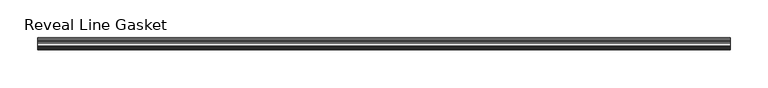
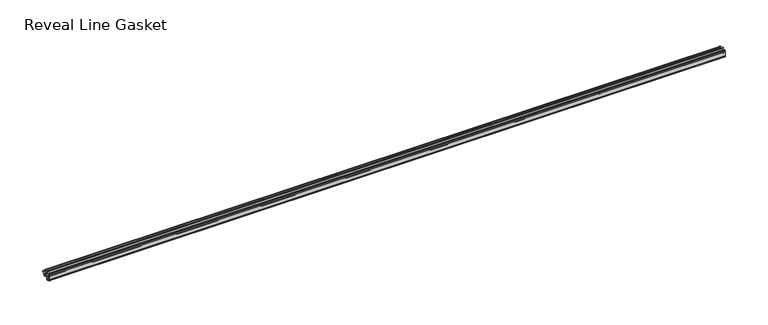
"""IFC4 building model written with IfcOpenShell, lengths in millimetres: furniture geometry, Reveal Line Gasket."""

from ifc_helpers import new_model, si_unit, point, frame, frame_2d, origin, place, context, project, spatial, polyline, circle_curve, trimmed, segment, composite_curve, outline, extrude, source, transform, mapped, element, save


def reveal_line_gasket_6a08a78c(model_context):
    return source(origin(), model_context, "Body", "SweptSolid", [
        extrude(outline(composite_curve([segment(polyline([(-7.6326998, 1603.2), (-7.4091917, 1604.1554927), (-6.8813059, 1605.0884684)]), True, "CONTINUOUS"), segment(trimmed(circle_curve(frame_2d((-6.5243141, 1604.8864793)), 0.4101739), [point((-6.8813059, 1605.0884684))], [point((-6.1246704, 1604.7941347))], False, "CARTESIAN"), True, "CONTINUOUS"), segment(polyline([(-6.1246704, 1604.7941347), (-6.3626997, 1603.0979086), (-6.3626997, 1601.0654527)]), True, "CONTINUOUS"), segment(trimmed(circle_curve(frame_2d((-5.6959605, 1601.4819258)), 0.786124), [point((-6.3626997, 1601.0654527))], [point((-5.0926996, 1600.977875))], True, "CARTESIAN"), True, "CONTINUOUS"), segment(polyline([(-5.0926996, 1600.977875), (-0.7492996, 1600.977875), (-3.7293824, 1606.1395295)]), True, "CONTINUOUS"), segment(trimmed(circle_curve(frame_2d((-3.3132479, 1606.2049761)), 0.4212495), [point((-3.7293824, 1606.1395295))], [point((-3.0485022, 1606.5326358))], False, "CARTESIAN"), True, "CONTINUOUS"), segment(polyline([(-3.0485022, 1606.5326358), (0.5742594, 1600.977875), (4.8262978, 1600.977875), (3.1660374, 1603.8535297)]), True, "CONTINUOUS"), segment(trimmed(circle_curve(frame_2d((3.5978728, 1603.9118855)), 0.4357605), [point((3.1660374, 1603.8535297))], [point((3.864328, 1604.2566881))], False, "CARTESIAN"), True, "CONTINUOUS"), segment(polyline([(3.864328, 1604.2566881), (6.1944059, 1600.977875), (7.6326998, 1600.977875), (7.6326998, 1599.422125), (6.1944059, 1599.422125), (3.864328, 1596.1433119)]), True, "CONTINUOUS"), segment(trimmed(circle_curve(frame_2d((3.5978728, 1596.4881145)), 0.4357605), [point((3.864328, 1596.1433119))], [point((3.1660374, 1596.5464703))], False, "CARTESIAN"), True, "CONTINUOUS"), segment(polyline([(3.1660374, 1596.5464703), (4.8262978, 1599.422125), (0.5742594, 1599.422125), (-3.0485022, 1593.8673642)]), True, "CONTINUOUS"), segment(trimmed(circle_curve(frame_2d((-3.3132479, 1594.1950239)), 0.4212495), [point((-3.0485022, 1593.8673642))], [point((-3.7293824, 1594.2604705))], False, "CARTESIAN"), True, "CONTINUOUS"), segment(polyline([(-3.7293824, 1594.2604705), (-0.7492996, 1599.422125), (-5.0926996, 1599.422125)]), True, "CONTINUOUS"), segment(trimmed(circle_curve(frame_2d((-5.6959605, 1598.9180742)), 0.786124), [point((-5.0926996, 1599.422125))], [point((-6.3626997, 1599.3345473))], True, "CARTESIAN"), True, "CONTINUOUS"), segment(polyline([(-6.3626997, 1599.3345473), (-6.3626997, 1597.3020914), (-6.1246704, 1595.6058653)]), True, "CONTINUOUS"), segment(trimmed(circle_curve(frame_2d((-6.5243141, 1595.5135207)), 0.4101739), [point((-6.1246704, 1595.6058653))], [point((-6.8813059, 1595.3115316))], False, "CARTESIAN"), True, "CONTINUOUS"), segment(polyline([(-6.8813059, 1595.3115316), (-7.4091917, 1596.2445073), (-7.6326998, 1597.2), (-7.6326998, 1603.2)]), True, "CONTINUOUS")], self_intersect=False)), frame((-455.4056163, 0.0, 0.0), z_axis=(1.0, 0.0, 0.0), x_axis=(0.0, 1.0, 0.0)), (0.0, 0.0, 1.0), 910.8112326),
    ])


if __name__ == "__main__":
    model = new_model("IFC4")
    model_context = context("Model", 3, world=origin())
    ifc_project = project(units=[si_unit("LENGTHUNIT", "METRE", prefix="MILLI")], contexts=[model_context])
    site = spatial("IfcSite", under=ifc_project)
    building = spatial("IfcBuilding", under=site)
    placement = place(None, origin())
    reveal_line_gasket_shape = reveal_line_gasket_6a08a78c(model_context)
    element("IfcFurniture", 1, ObjectType="Reveal Line Gasket", at=placement, inside=building, context=model_context, shape_type="MappedRepresentation", body=[
        mapped(reveal_line_gasket_shape, transform((0.0, 0.0, 0.0), x_axis=(1.0, 0.0, 0.0), y_axis=(0.0, 1.0, 0.0), z_axis=(0.0, 0.0, 1.0))),
    ])
    save(model, "model.ifc")
